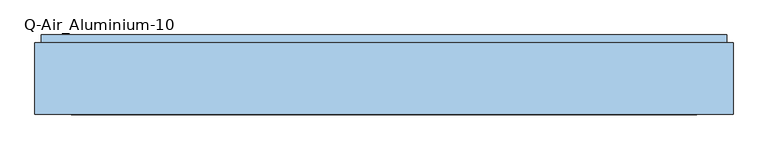
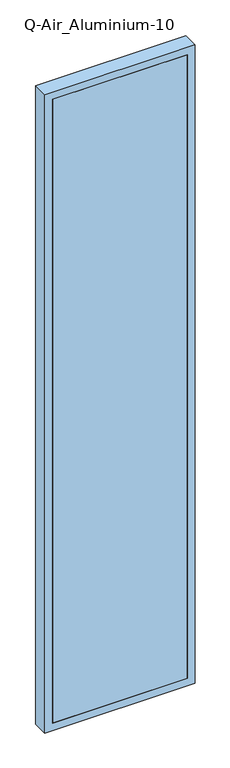
"""IFC4 building model written with IfcOpenShell, lengths in millimetres: window geometry, Q-Air_Aluminium-10."""

from ifc_helpers import new_model, si_unit, frame, origin, place, context, project, spatial, polyline, outline, extrude, source, transform, mapped, element, save


def q_air_aluminium_10_4a3e5cfa(model_context):
    return source(origin(), model_context, "Body", "SweptSolid", [
        extrude(outline(polyline([(5020.0, 560.0000001), (5020.0, -560.0000001), (0.0, -560.0000001), (0.0, 560.0000001), (5020.0, 560.0000001)]), holes=[polyline([(4962.0, 502.0000001), (58.0, 502.0000001), (58.0, -502.0000001), (4962.0, -502.0000001), (4962.0, 502.0000001)])]), frame((0.0, 0.0, 0.0), z_axis=(0.0, 1.0, 0.0), x_axis=(0.0, 0.0, 1.0)), (0.0, 0.0, 1.0), 114.5),
        extrude(outline(polyline([(502.0000001, 0.0), (-502.0000001, 0.0), (-502.0000001, 12.5), (502.0000001, 12.5), (502.0000001, 0.0)])), frame((0.0, 0.0, 58.0), z_axis=(0.0, 0.0, 1.0), x_axis=(1.0, 0.0, 0.0)), (0.0, 0.0, 1.0), 4904.0),
        extrude(outline(polyline([(550.0000001, 114.5), (-550.0000001, 114.5), (-550.0000001, 127.0), (550.0000001, 127.0), (550.0000001, 114.5)])), frame((0.0, 0.0, 10.0), z_axis=(0.0, 0.0, 1.0), x_axis=(1.0, 0.0, 0.0)), (0.0, 0.0, 1.0), 5000.0),
        extrude(outline(polyline([(5010.0, 550.0000001), (5010.0, -550.0000001), (10.0, -550.0000001), (10.0, 550.0000001), (5010.0, 550.0000001)]), holes=[polyline([(4962.0, 502.0000001), (58.0, 502.0000001), (58.0, -502.0000001), (4962.0, -502.0000001), (4962.0, 502.0000001)])]), frame((0.0, 114.5, 0.0), z_axis=(0.0, 1.0, 0.0), x_axis=(0.0, 0.0, 1.0)), (0.0, 0.0, 1.0), 4.0),
    ])


if __name__ == "__main__":
    model = new_model("IFC4")
    model_context = context("Model", 3, world=origin())
    ifc_project = project(units=[si_unit("LENGTHUNIT", "METRE", prefix="MILLI")], contexts=[model_context])
    site = spatial("IfcSite", under=ifc_project)
    building = spatial("IfcBuilding", under=site)
    placement = place(None, origin())
    q_air_aluminium_10_shape = q_air_aluminium_10_4a3e5cfa(model_context)
    element("IfcWindow", 1, ObjectType="Q-Air_Aluminium-10", at=placement, inside=building, context=model_context, shape_type="MappedRepresentation", body=[
        mapped(q_air_aluminium_10_shape, transform((0.0, 0.0, 0.0), x_axis=(1.0, 0.0, 0.0), y_axis=(0.0, 1.0, 0.0), z_axis=(0.0, 0.0, 1.0))),
    ])
    save(model, "model.ifc")
